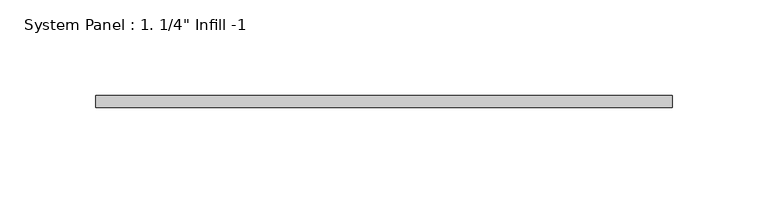
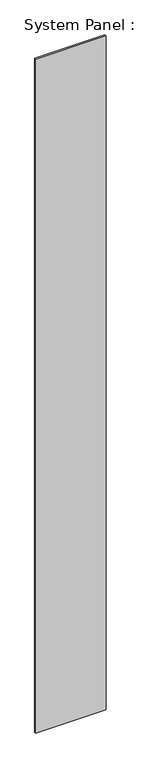
"""IFC4 building model written with IfcOpenShell, lengths in millimetres: plate geometry."""

from ifc_helpers import new_model, si_unit, origin, origin_with_axes, place, context, project, spatial, polyline, outline, extrude, source, transform, mapped, element, save


def plate_70024597(model_context):
    return source(origin(), model_context, "Body", "SweptSolid", [
        extrude(outline(polyline([(150.8405242, 19.05), (-150.8405242, 19.05), (-150.8405242, 25.4), (150.8405242, 25.4), (150.8405242, 19.05)])), origin_with_axes(), (0.0, 0.0, 1.0), 3048.0),
    ])


if __name__ == "__main__":
    model = new_model("IFC4")
    model_context = context("Model", 3, world=origin())
    ifc_project = project(units=[si_unit("LENGTHUNIT", "METRE", prefix="MILLI")], contexts=[model_context])
    site = spatial("IfcSite", under=ifc_project)
    building = spatial("IfcBuilding", under=site)
    placement = place(None, origin())
    plate_shape = plate_70024597(model_context)
    element("IfcPlate", 1, ObjectType="System Panel : 1. 1/4\" Infill -1", at=placement, inside=building, context=model_context, shape_type="MappedRepresentation", body=[
        mapped(plate_shape, transform((0.0, 0.0, 0.0), x_axis=(1.0, 0.0, 0.0), y_axis=(0.0, 1.0, 0.0), z_axis=(0.0, 0.0, 1.0))),
    ])
    save(model, "model.ifc")
